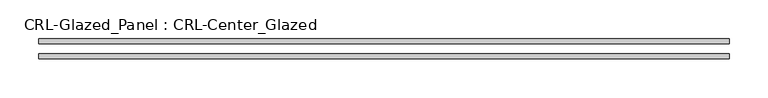
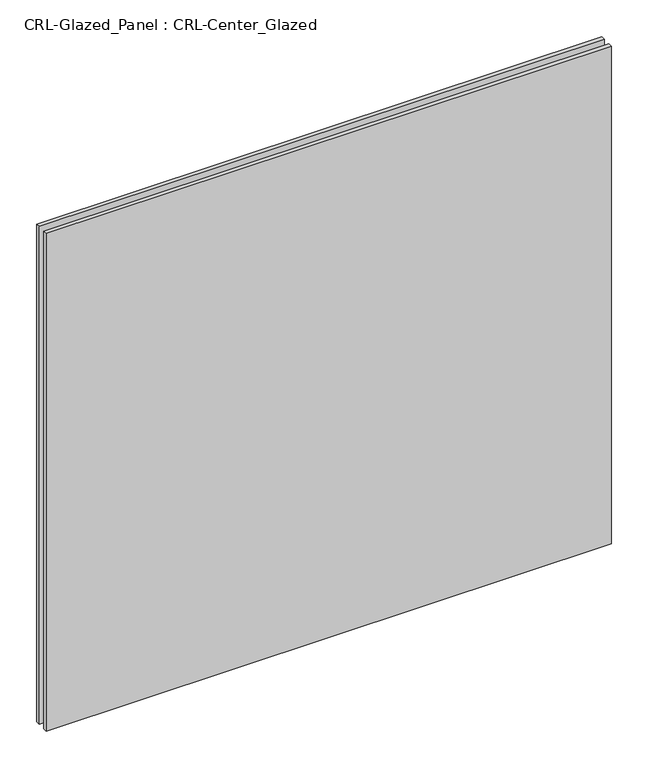
"""IFC4 building model written with IfcOpenShell, lengths in millimetres: plate geometry, CRL-Glazed_Panel : CRL-Center_Glazed."""

from ifc_helpers import new_model, si_unit, origin, origin_with_axes, place, context, project, spatial, polyline, outline, extrude, source, transform, mapped, element, save


def crl_glazed_panel_crl_center_glazed_3bfa9090(model_context):
    return source(origin(), model_context, "Body", "SweptSolid", [
        extrude(outline(polyline([(442.9125, -12.7), (-442.9125, -12.7), (-442.9125, -6.35), (442.9125, -6.35), (442.9125, -12.7)])), origin_with_axes(), (0.0, 0.0, 1.0), 824.5475145),
        extrude(outline(polyline([(-442.9125, 6.35), (-442.9125, 12.7), (442.9125, 12.7), (442.9125, 6.35), (-442.9125, 6.35)])), origin_with_axes(), (0.0, 0.0, 1.0), 824.5475145),
    ])


if __name__ == "__main__":
    model = new_model("IFC4")
    model_context = context("Model", 3, world=origin())
    ifc_project = project(units=[si_unit("LENGTHUNIT", "METRE", prefix="MILLI")], contexts=[model_context])
    site = spatial("IfcSite", under=ifc_project)
    building = spatial("IfcBuilding", under=site)
    placement = place(None, origin())
    crl_glazed_panel_crl_center_glazed_shape = crl_glazed_panel_crl_center_glazed_3bfa9090(model_context)
    element("IfcPlate", 1, ObjectType="CRL-Glazed_Panel : CRL-Center_Glazed", at=placement, inside=building, context=model_context, shape_type="MappedRepresentation", body=[
        mapped(crl_glazed_panel_crl_center_glazed_shape, transform((0.0, 0.0, 0.0), x_axis=(1.0, 0.0, 0.0), y_axis=(0.0, 1.0, 0.0), z_axis=(0.0, 0.0, 1.0))),
    ])
    save(model, "model.ifc")
